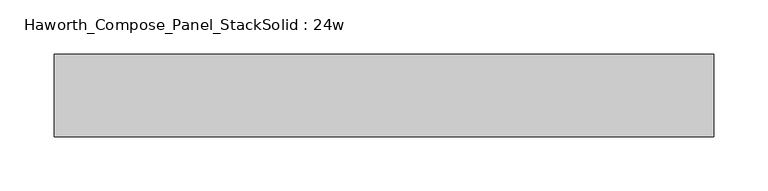
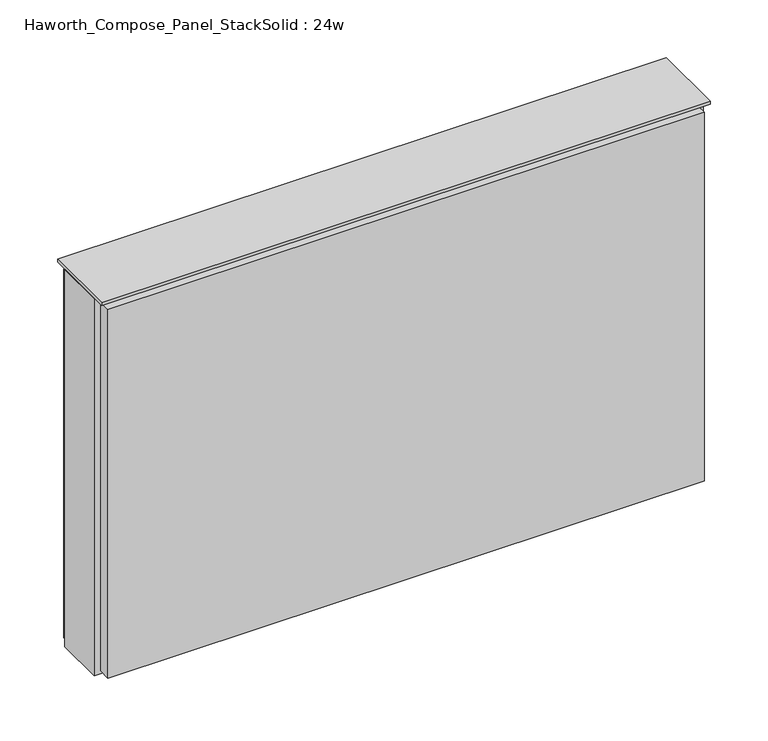
"""IFC4 building model written with IfcOpenShell, lengths in millimetres: furniture geometry, Haworth_Compose_Panel_StackSolid : 24w."""

from ifc_helpers import new_model, si_unit, frame, origin, place, context, project, spatial, polyline, outline, extrude, source, transform, mapped, element, save


def haworth_compose_panel_stacksolid_24w_65b20f62(model_context):
    return source(origin(), model_context, "Body", "SweptSolid", [
        extrude(outline(polyline([(300.8902902, 38.1), (300.8902902, 25.4), (-296.0097098, 25.4), (-296.0097098, 38.1), (300.8902902, 38.1)])), frame((0.0, 0.0, 1066.8), z_axis=(0.0, 0.0, 1.0), x_axis=(1.0, 0.0, 0.0)), (0.0, 0.0, 1.0), 390.525),
        extrude(outline(polyline([(300.8902902, -38.1), (-296.0097098, -38.1), (-296.0097098, -25.4), (300.8902902, -25.4), (300.8902902, -38.1)])), frame((0.0, 0.0, 1069.975), z_axis=(0.0, 0.0, 1.0), x_axis=(1.0, 0.0, 0.0)), (0.0, 0.0, 1.0), 390.525),
        extrude(outline(polyline([(307.2402902, 25.4), (307.2402902, -25.4), (-302.3597098, -25.4), (-302.3597098, 25.4), (307.2402902, 25.4)])), frame((0.0, 0.0, 1066.8), z_axis=(0.0, 0.0, 1.0), x_axis=(1.0, 0.0, 0.0)), (0.0, 0.0, 1.0), 400.05),
        extrude(outline(polyline([(-302.3597098, -38.1), (-302.3597098, 38.1), (307.2402902, 38.1), (307.2402902, -38.1), (-302.3597098, -38.1)])), frame((0.0, 0.0, 1466.85), z_axis=(0.0, 0.0, 1.0), x_axis=(1.0, 0.0, 0.0)), (0.0, 0.0, 1.0), 3.175),
    ])


if __name__ == "__main__":
    model = new_model("IFC4")
    model_context = context("Model", 3, world=origin())
    ifc_project = project(units=[si_unit("LENGTHUNIT", "METRE", prefix="MILLI")], contexts=[model_context])
    site = spatial("IfcSite", under=ifc_project)
    building = spatial("IfcBuilding", under=site)
    placement = place(None, origin())
    haworth_compose_panel_stacksolid_24w_shape = haworth_compose_panel_stacksolid_24w_65b20f62(model_context)
    element("IfcFurniture", 1, ObjectType="Haworth_Compose_Panel_StackSolid : 24w", at=placement, inside=building, context=model_context, shape_type="MappedRepresentation", body=[
        mapped(haworth_compose_panel_stacksolid_24w_shape, transform((0.0, 0.0, 0.0), x_axis=(1.0, 0.0, 0.0), y_axis=(0.0, 1.0, 0.0), z_axis=(0.0, 0.0, 1.0))),
    ])
    save(model, "model.ifc")
